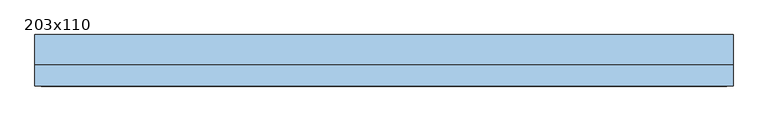
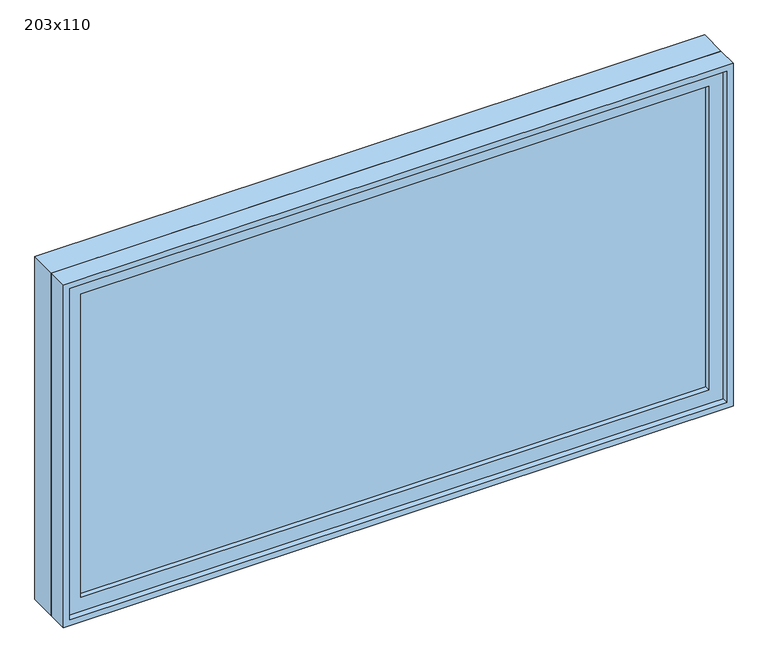
"""IFC4 building model written with IfcOpenShell, lengths in millimetres: window geometry, 203x110."""

from ifc_helpers import new_model, si_unit, frame, origin, place, context, project, spatial, polyline, outline, extrude, source, transform, mapped, element, save


def window_203x110_ec72477a(model_context):
    return source(origin(), model_context, "Body", "SweptSolid", [
        extrude(outline(polyline([(913.4, -27.375), (913.4, -40.075), (-989.6, -40.075), (-989.6, -27.375), (913.4, -27.375)])), frame((0.0, 0.0, 977.9), z_axis=(0.0, 0.0, 1.0), x_axis=(1.0, 0.0, 0.0)), (0.0, 0.0, 1.0), 973.0),
        extrude(outline(polyline([(1995.35, -1034.05), (933.45, -1034.05), (933.45, 957.85), (1995.35, 957.85), (1995.35, -1034.05)]), holes=[polyline([(1950.9, -989.6), (1950.9, 913.4), (977.9, 913.4), (977.9, -989.6), (1950.9, -989.6)])]), frame((0.0, -55.95, 0.0), z_axis=(0.0, 1.0, 0.0), x_axis=(0.0, 0.0, 1.0)), (0.0, 0.0, 1.0), 44.45),
        extrude(outline(polyline([(2014.4, -1053.1), (914.4, -1053.1), (914.4, 976.9), (2014.4, 976.9), (2014.4, -1053.1)]), holes=[polyline([(1982.65, -1021.35), (1982.65, 945.15), (946.15, 945.15), (946.15, -1021.35), (1982.65, -1021.35)])]), frame((0.0, -11.5, 0.0), z_axis=(0.0, 1.0, 0.0), x_axis=(0.0, 0.0, 1.0)), (0.0, 0.0, 1.0), 86.5),
        extrude(outline(polyline([(2014.4, 976.9), (2014.4, -1053.1), (914.4, -1053.1), (914.4, 976.9), (2014.4, 976.9)]), holes=[polyline([(1995.35, 957.85), (933.45, 957.85), (933.45, -1034.05), (1995.35, -1034.05), (1995.35, 957.85)])]), frame((0.0, -75.0, 0.0), z_axis=(0.0, 1.0, 0.0), x_axis=(0.0, 0.0, 1.0)), (0.0, 0.0, 1.0), 63.5),
    ])


if __name__ == "__main__":
    model = new_model("IFC4")
    model_context = context("Model", 3, world=origin())
    ifc_project = project(units=[si_unit("LENGTHUNIT", "METRE", prefix="MILLI")], contexts=[model_context])
    site = spatial("IfcSite", under=ifc_project)
    building = spatial("IfcBuilding", under=site)
    placement = place(None, origin())
    window_203x110_shape = window_203x110_ec72477a(model_context)
    element("IfcWindow", 1, ObjectType="203x110", at=placement, inside=building, context=model_context, shape_type="MappedRepresentation", body=[
        mapped(window_203x110_shape, transform((0.0, 0.0, 0.0), x_axis=(1.0, 0.0, 0.0), y_axis=(0.0, 1.0, 0.0), z_axis=(0.0, 0.0, 1.0))),
    ])
    save(model, "model.ifc")
